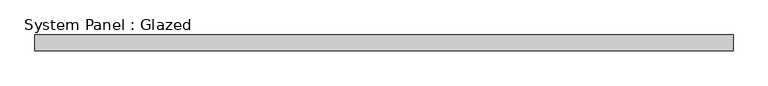
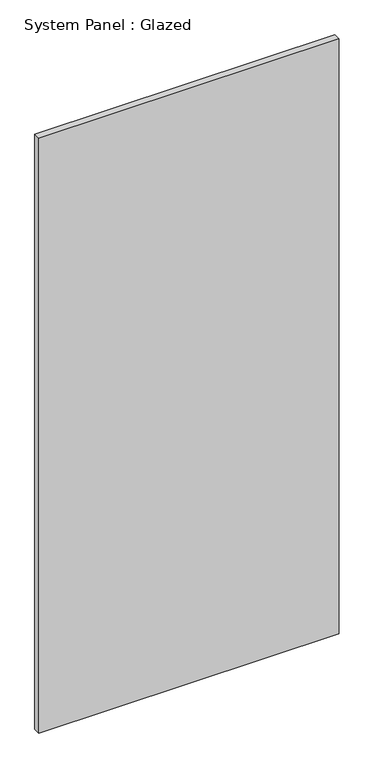
"""IFC4 building model written with IfcOpenShell, lengths in millimetres: plate geometry, System Panel : Glazed."""

from ifc_helpers import new_model, si_unit, origin, origin_with_axes, place, context, project, spatial, polyline, outline, extrude, source, transform, mapped, element, save


def system_panel_glazed_e0694126(model_context):
    return source(origin(), model_context, "Body", "SweptSolid", [
        extrude(outline(polyline([(559.9103371, 19.05), (-559.9103371, 19.05), (-559.9103371, 44.45), (559.9103371, 44.45), (559.9103371, 19.05)])), origin_with_axes(), (0.0, 0.0, 1.0), 2343.15),
    ])


if __name__ == "__main__":
    model = new_model("IFC4")
    model_context = context("Model", 3, world=origin())
    ifc_project = project(units=[si_unit("LENGTHUNIT", "METRE", prefix="MILLI")], contexts=[model_context])
    site = spatial("IfcSite", under=ifc_project)
    building = spatial("IfcBuilding", under=site)
    placement = place(None, origin())
    system_panel_glazed_shape = system_panel_glazed_e0694126(model_context)
    element("IfcPlate", 1, ObjectType="System Panel : Glazed", at=placement, inside=building, context=model_context, shape_type="MappedRepresentation", body=[
        mapped(system_panel_glazed_shape, transform((0.0, 0.0, 0.0), x_axis=(1.0, 0.0, 0.0), y_axis=(0.0, 1.0, 0.0), z_axis=(0.0, 0.0, 1.0))),
    ])
    save(model, "model.ifc")
